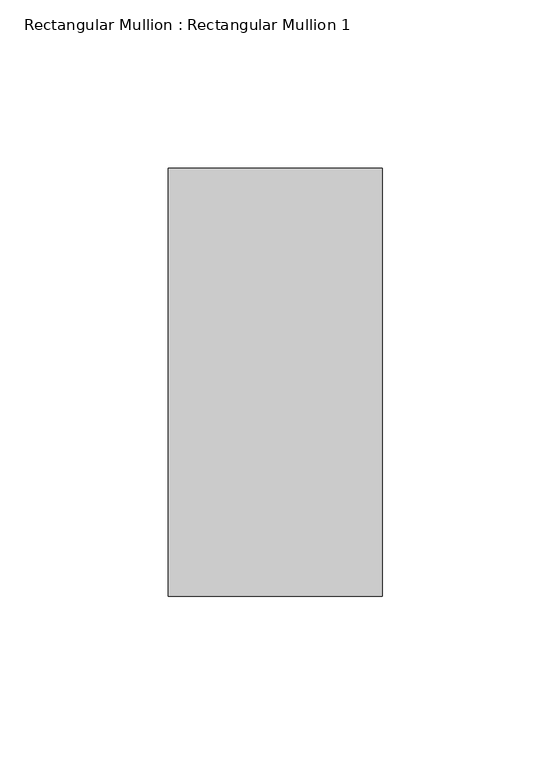
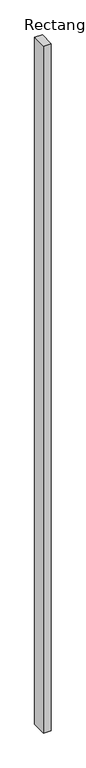
"""IFC4 building model written with IfcOpenShell, lengths in millimetres: member geometry, Rectangular Mullion : Rectangular Mullion 1."""

from ifc_helpers import new_model, si_unit, frame, origin, place, context, project, spatial, polyline, outline, extrude, source, transform, mapped, element, save


def rectangular_mullion_rectangular_mullion_1_8f23b4e0(model_context):
    return source(origin(), model_context, "Body", "SweptSolid", [
        extrude(outline(polyline([(31.75, 63.5), (31.75, -63.5), (-31.75, -63.5), (-31.75, 63.5), (31.75, 63.5)])), frame((0.0, 0.0, -6018.0639632), z_axis=(0.0, 0.0, 1.0), x_axis=(1.0, 0.0, 0.0)), (0.0, 0.0, 1.0), 6018.0639632),
    ])


if __name__ == "__main__":
    model = new_model("IFC4")
    model_context = context("Model", 3, world=origin())
    ifc_project = project(units=[si_unit("LENGTHUNIT", "METRE", prefix="MILLI")], contexts=[model_context])
    site = spatial("IfcSite", under=ifc_project)
    building = spatial("IfcBuilding", under=site)
    placement = place(None, origin())
    rectangular_mullion_rectangular_mullion_1_shape = rectangular_mullion_rectangular_mullion_1_8f23b4e0(model_context)
    element("IfcMember", 1, ObjectType="Rectangular Mullion : Rectangular Mullion 1", at=placement, inside=building, context=model_context, shape_type="MappedRepresentation", body=[
        mapped(rectangular_mullion_rectangular_mullion_1_shape, transform((0.0, 0.0, 0.0), x_axis=(1.0, 0.0, 0.0), y_axis=(0.0, 1.0, 0.0), z_axis=(0.0, 0.0, 1.0))),
    ])
    save(model, "model.ifc")
